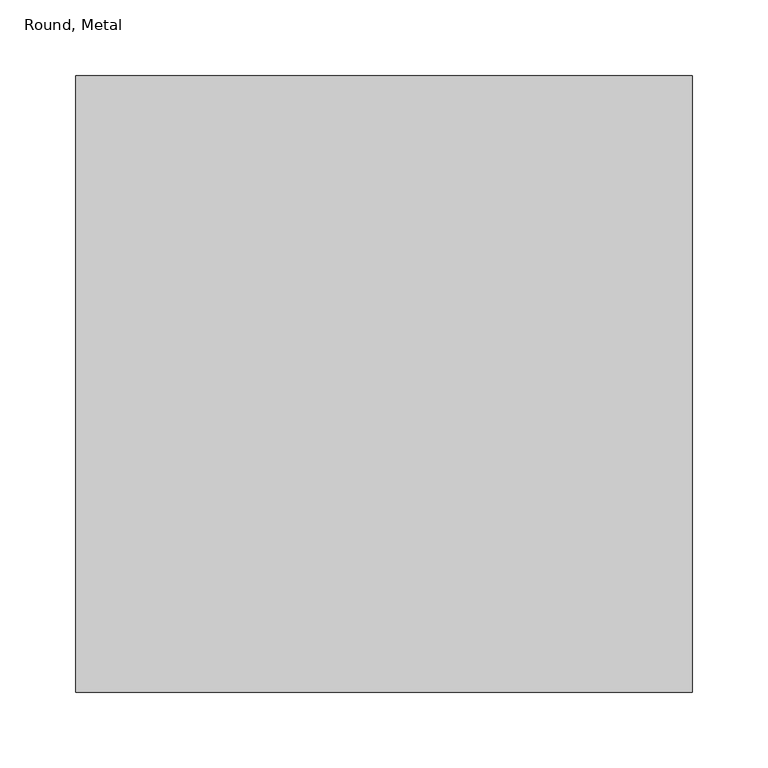
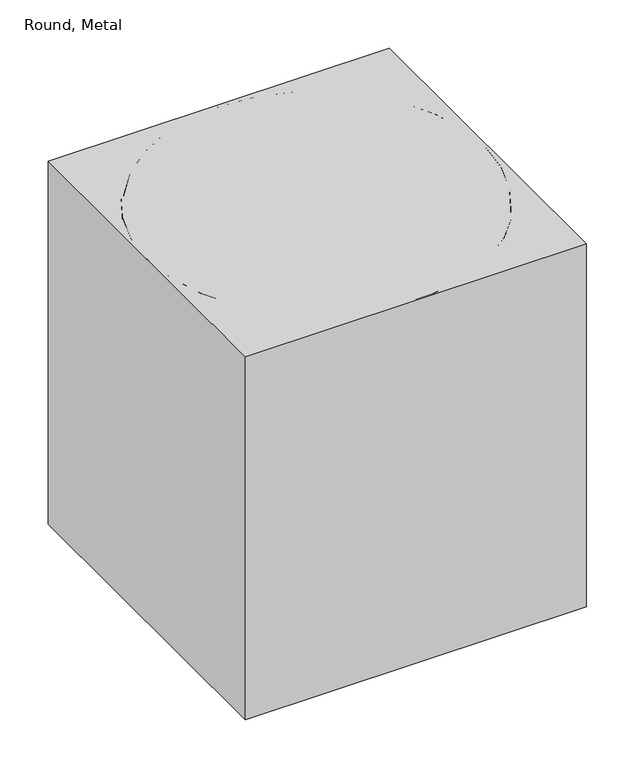
"""IFC4 building model written with IfcOpenShell, lengths in millimetres: proxy geometry, Round, Metal."""

from ifc_helpers import new_model, si_unit, point, frame, origin, origin_with_axes, origin_2d, place, context, project, spatial, polyline, circle_curve, trimmed, segment, composite_curve, outline, extrude, source, transform, mapped, element, save


def round_metal_63576c63(model_context):
    return source(origin(), model_context, "Body", "SweptSolid", [
        extrude(outline(polyline([(203.2, -203.2), (-203.2, -203.2), (-203.2, 203.2), (203.2, 203.2), (203.2, -203.2)])), origin_with_axes(), (0.0, 0.0, 1.0), 457.2),
        extrude(outline(composite_curve([segment(trimmed(circle_curve(origin_2d(), 203.2), [point((-203.2, 0.0))], [point((203.2, 0.0))], False, "CARTESIAN"), True, "CONTINUOUS"), segment(trimmed(circle_curve(origin_2d(), 203.2), [point((203.2, 0.0))], [point((-203.2, 0.0))], False, "CARTESIAN"), True, "CONTINUOUS")], self_intersect=False)), origin_with_axes(), (0.0, 0.0, 1.0), 3.175),
        extrude(outline(composite_curve([segment(trimmed(circle_curve(origin_2d(), 203.2), [point((-203.2, 0.0))], [point((203.2, 0.0))], False, "CARTESIAN"), True, "CONTINUOUS"), segment(trimmed(circle_curve(origin_2d(), 203.2), [point((203.2, 0.0))], [point((-203.2, 0.0))], False, "CARTESIAN"), True, "CONTINUOUS")], self_intersect=False), holes=[composite_curve([segment(trimmed(circle_curve(origin_2d(), 200.025), [point((-200.025, 0.0))], [point((200.025, 0.0))], True, "CARTESIAN"), True, "CONTINUOUS"), segment(trimmed(circle_curve(origin_2d(), 200.025), [point((200.025, 0.0))], [point((-200.025, 0.0))], True, "CARTESIAN"), True, "CONTINUOUS")], self_intersect=False)]), frame((0.0, 0.0, 3.175), z_axis=(0.0, 0.0, 1.0), x_axis=(1.0, 0.0, 0.0)), (0.0, 0.0, 1.0), 454.025),
    ])


if __name__ == "__main__":
    model = new_model("IFC4")
    model_context = context("Model", 3, world=origin())
    ifc_project = project(units=[si_unit("LENGTHUNIT", "METRE", prefix="MILLI")], contexts=[model_context])
    site = spatial("IfcSite", under=ifc_project)
    building = spatial("IfcBuilding", under=site)
    placement = place(None, origin())
    round_metal_shape = round_metal_63576c63(model_context)
    element("IfcBuildingElementProxy", 1, Name="Round, Metal", ObjectType="Round, Metal", at=placement, inside=building, context=model_context, shape_type="MappedRepresentation", body=[
        mapped(round_metal_shape, transform((0.0, 0.0, 0.0), x_axis=(1.0, 0.0, 0.0), y_axis=(0.0, 1.0, 0.0), z_axis=(0.0, 0.0, 1.0))),
    ])
    save(model, "model.ifc")
